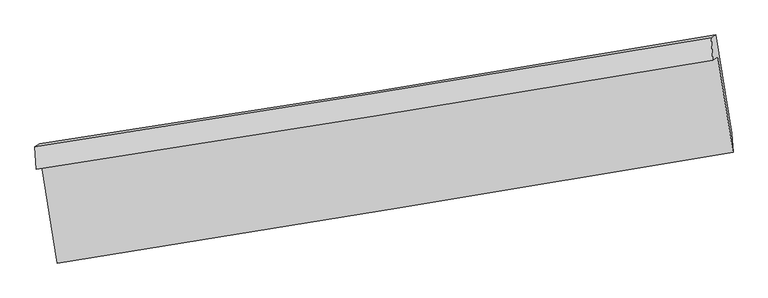
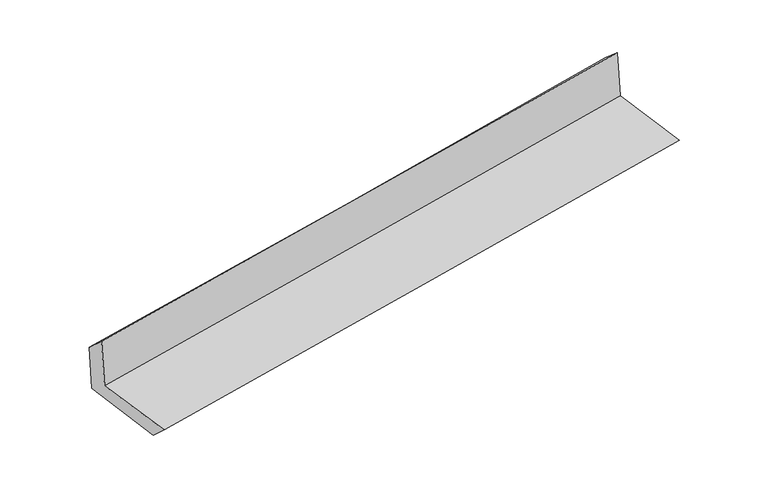
"""IFC4 building model written with IfcOpenShell, lengths in millimetres: proxy geometry."""

from ifc_helpers import new_model, si_unit, frame, origin, place, context, project, spatial, source, transform, mapped, element, save
from ifc_brep_helpers import plane_surface, spline_curve, spline_surface, advanced_brep


def generic_models_57f14585(model_context):
    return source(origin(), model_context, "Body", "AdvancedBrep", [
        advanced_brep(
        [(-2368.645635, -1874.1897644, 1683.3195122), (-2262.8290435, -2543.2720002, 1667.8420047), (2417.1111241, -1776.5299919, 2085.7563138), (2312.1314106, -1116.4524137, 2107.9489735), (-2405.6847807, -1895.8534649, 2096.3245288), (2276.274693, -1138.0528641, 2508.7694515), (-2416.399963, -1737.488835, 1953.5478492), (2265.3250178, -982.5652164, 2373.1790499), (-2382.2749813, -1717.5295901, 1573.0372214), (2296.6430958, -964.2476919, 2023.9668027), (-2272.6924474, -2399.8876752, 1540.2246182), (2407.5580214, -1644.6452935, 1973.4626009)],
        [
            (0, 1),
            (1, 2, spline_curve(3, [(-2262.8290435, -2543.2720002, 1667.8420047), (-1479.157528126, -2420.033574366, 1741.926207547), (-695.697379821, -2294.241469204, 1813.931427335), (864.279171127, -2038.618455047, 1953.20172363), (1640.79907871, -1908.829890702, 2020.501273489), (2417.1111241, -1776.5299919, 2085.7563138)], [4, 2, 4], [0.0, 7.842254067206514, 15.619216713586919])),
            (2, 3),
            (3, 0, spline_curve(3, [(2312.1314106, -1116.4524137, 2107.9489735), (1535.949119944, -1247.529927439, 2039.268055416), (759.425202587, -1375.960616537, 1969.693478934), (-800.828052157, -1628.58436258, 1828.165393625), (-1584.563150223, -1752.732790489, 1756.196816195), (-2368.645635, -1874.1897644, 1683.3195122)], [4, 2, 4], [0.0, 7.776962646380405, 15.619216713586919])),
            (4, 0),
            (3, 5),
            (5, 4, spline_curve(3, [(2276.274693, -1138.0528641, 2508.7694515), (1499.804942005, -1268.984779177, 2442.794493052), (723.038980149, -1397.347591439, 2375.585458969), (-837.609183116, -1649.991110332, 2238.124626513), (-1621.496379343, -1774.228498568, 2167.852019459), (-2405.6847807, -1895.8534649, 2096.3245288)], [4, 2, 4], [0.0, 7.777018113504868, 15.619328113509596])),
            (6, 4),
            (5, 7),
            (7, 6, spline_curve(3, [(2265.3250178, -982.5652164, 2373.1790499), (1489.481569716, -1115.34700555, 2303.715078831), (713.049446679, -1244.40087304, 2234.16038579), (-847.515620888, -1496.104937224, 2094.284848548), (-1631.658491436, -1618.692276033, 2023.962474741), (-2416.399963, -1737.488835, 1953.5478492)], [4, 2, 4], [0.0, 7.777074786260816, 15.619441934817111])),
            (8, 6),
            (7, 9),
            (9, 8, spline_curve(3, [(2296.6430958, -964.2476919, 2023.9668027), (1522.491415922, -1096.039988558, 1935.638771493), (747.140669968, -1224.461373063, 1854.026182288), (-812.478471218, -1475.612177465, 1703.603089779), (-1596.767084287, -1598.284759243, 1634.905818402), (-2382.2749813, -1717.5295901, 1573.0372214)], [4, 2, 4], [0.0, 7.776931513935691, 15.619154187325327])),
            (10, 8),
            (9, 11),
            (11, 10, spline_curve(3, [(2407.5580214, -1644.6452935, 1973.4626009), (1631.659966294, -1770.873205868, 1894.280018304), (855.322276386, -1896.662778441, 1818.721268404), (-704.753800116, -2148.417630124, 1674.247504234), (-1488.499599818, -2274.375517842, 1605.393593555), (-2272.6924474, -2399.8876752, 1540.2246182)], [4, 2, 4], [0.0, 7.776854539130016, 15.618999591472681])),
            (1, 10),
            (11, 2),
        ],
        [
            spline_surface(3, 3, [[(-2368.645635, -1874.1897644, 1683.3195122), (-1584.563150253, -1752.732790521, 1756.196816321), (-800.828052216, -1628.584362681, 1828.165393585), (759.425202645, -1375.960616436, 1969.693478975), (1535.949119843, -1247.529927377, 2039.268055446), (2312.1314106, -1116.4524137, 2107.9489735)], [(-2333.373437855, -2097.217176331, 1678.160343035), (-1549.427942878, -1975.166385158, 1751.43994673), (-765.784494772, -1850.470064881, 1823.420738187), (794.37652547, -1596.846562655, 1964.196227202), (1570.899106159, -1467.963248532, 2033.012461451), (2347.124648429, -1336.478273127, 2100.551420246)], [(-2298.101240645, -2320.244588269, 1673.001173865), (-1514.29273544, -2197.599979801, 1746.683077135), (-730.740937293, -2072.35576702, 1818.676082748), (829.327848329, -1817.732508812, 1958.698975387), (1605.849092488, -1688.396569604, 2026.756867517), (2382.117886271, -1556.504132473, 2093.153867054)], [(-2262.8290435, -2543.2720002, 1667.8420047), (-1479.157528065, -2420.033574438, 1741.926207544), (-695.697379849, -2294.24146922, 1813.931427351), (864.279171154, -2038.618455031, 1953.201723614), (1640.799078804, -1908.829890759, 2020.501273521), (2417.1111241, -1776.5299919, 2085.7563138)]], [4, 4], [4, 2, 4], [0.0, 2.20666953151306], [0.0, 7.842254067206514, 15.619216713586919]),
            spline_surface(3, 3, [[(-2405.6847807, -1895.8534649, 2096.3245288), (-1621.49637934, -1774.228498444, 2167.852019578), (-837.609183176, -1649.991110431, 2238.124626459), (723.038980209, -1397.34759134, 2375.585459023), (1499.804941883, -1268.984779057, 2442.794493066), (2276.274693, -1138.0528641, 2508.7694515)], [(-2393.338398778, -1888.6322314, 1958.656189924), (-1609.185302956, -1767.06326247, 2030.633618482), (-825.34880617, -1642.855527845, 2101.471548816), (735.16772104, -1390.218599702, 2240.288132323), (1511.853001177, -1261.833161816, 2308.285680544), (2288.226932174, -1130.852713952, 2375.162625518)], [(-2380.992016922, -1881.4109979, 1820.987851076), (-1596.874226637, -1759.898026495, 1893.415217416), (-813.088429222, -1635.719945267, 1964.818471227), (747.296461814, -1383.089608073, 2104.990805675), (1523.901060549, -1254.681544619, 2173.776867968), (2300.179171426, -1123.652563848, 2241.555799482)], [(-2368.645635, -1874.1897644, 1683.3195122), (-1584.563150253, -1752.732790521, 1756.196816321), (-800.828052216, -1628.584362681, 1828.165393585), (759.425202645, -1375.960616436, 1969.693478975), (1535.949119843, -1247.529927377, 2039.268055446), (2312.1314106, -1116.4524137, 2107.9489735)]], [4, 4], [4, 2, 4], [0.0, 1.3455982865923362], [0.0, 7.842310000004728, 15.619328113509596]),
            spline_surface(3, 3, [[(-2416.399963, -1737.488835, 1953.5478492), (-1631.65849145, -1618.692276116, 2023.9624747), (-847.515620939, -1496.104937342, 2094.28484858), (713.049446729, -1244.400872922, 2234.160385758), (1489.48156983, -1115.347005484, 2303.715078813), (2265.3250178, -982.5652164, 2373.1790499)], [(-2412.82823559, -1790.277044952, 2001.140075733), (-1628.27112077, -1670.537683544, 2071.925656326), (-844.213475035, -1547.40032836, 2142.231441206), (716.379291206, -1295.383112383, 2281.302076846), (1492.922693861, -1166.559596668, 2350.07488357), (2268.974909547, -1034.394432294, 2418.375850439)], [(-2409.25650811, -1843.065254948, 2048.732302267), (-1624.88375002, -1722.383091016, 2119.888837952), (-840.911329081, -1598.695719414, 2190.178033833), (719.709135732, -1346.365351879, 2328.443767935), (1496.363817852, -1217.772187872, 2396.434688309), (2272.624801253, -1086.223648206, 2463.572650961)], [(-2405.6847807, -1895.8534649, 2096.3245288), (-1621.49637934, -1774.228498444, 2167.852019578), (-837.609183176, -1649.991110431, 2238.124626459), (723.038980209, -1397.34759134, 2375.585459023), (1499.804941883, -1268.984779057, 2442.794493066), (2276.274693, -1138.0528641, 2508.7694515)]], [4, 4], [4, 2, 4], [0.0, 0.6880669580638602], [0.0, 7.842367148556295, 15.619441934817111]),
            spline_surface(3, 3, [[(-2382.2749813, -1717.5295901, 1573.0372214), (-1596.767084208, -1598.284759177, 1634.905818448), (-812.478471143, -1475.612177562, 1703.603089706), (747.140669893, -1224.461372967, 1854.026182361), (1522.491415833, -1096.039988527, 1935.638771495), (2296.6430958, -964.2476919, 2023.9668027)], [(-2393.649975181, -1724.182671739, 1699.874097354), (-1608.39755327, -1605.087264829, 1764.591370553), (-824.157521062, -1482.443097508, 1833.830342689), (735.776928852, -1231.10787297, 1980.737583519), (1511.488133832, -1102.475660864, 2058.330873916), (2286.203736466, -970.353533418, 2140.370885082)], [(-2405.024969119, -1730.835753361, 1826.710973246), (-1620.028022388, -1611.889770464, 1894.276922596), (-835.83657102, -1489.274017397, 1964.057595596), (724.413187771, -1237.754372919, 2107.4489846), (1500.484851831, -1108.911333147, 2181.022976392), (2275.764377134, -976.459374882, 2256.774967518)], [(-2416.399963, -1737.488835, 1953.5478492), (-1631.65849145, -1618.692276116, 2023.9624747), (-847.515620939, -1496.104937342, 2094.28484858), (713.049446729, -1244.400872922, 2234.160385758), (1489.48156983, -1115.347005484, 2303.715078813), (2265.3250178, -982.5652164, 2373.1790499)]], [4, 4], [4, 2, 4], [0.0, 1.2714122876150273], [0.0, 7.842222673389636, 15.619154187325327]),
            spline_surface(3, 3, [[(-2272.6924474, -2399.8876752, 1540.2246182), (-1488.499599916, -2274.375517925, 1605.393593474), (-704.753800217, -2148.417630103, 1674.247504303), (855.322276486, -1896.662778463, 1818.721268336), (1631.659966403, -1770.873205771, 1894.280018401), (2407.5580214, -1644.6452935, 1973.4626009)], [(-2309.219958716, -2172.434980153, 1551.16215259), (-1524.588761362, -2049.011931662, 1615.231001789), (-740.662023875, -1924.149145905, 1684.032699413), (819.261740939, -1672.59564328, 1830.489572987), (1595.270449553, -1545.928800029, 1908.066269441), (2370.586379539, -1417.846092973, 1990.297334842)], [(-2345.747469984, -1944.982285147, 1562.09968701), (-1560.677922762, -1823.64834544, 1625.068410134), (-776.570247485, -1699.88066176, 1693.817894595), (783.20120544, -1448.528508149, 1842.25787771), (1558.880932684, -1320.984394268, 1921.852520455), (2333.614737661, -1191.046892427, 2007.132068758)], [(-2382.2749813, -1717.5295901, 1573.0372214), (-1596.767084208, -1598.284759177, 1634.905818448), (-812.478471143, -1475.612177562, 1703.603089706), (747.140669893, -1224.461372967, 1854.026182361), (1522.491415833, -1096.039988527, 1935.638771495), (2296.6430958, -964.2476919, 2023.9668027)]], [4, 4], [4, 2, 4], [0.0, 2.2371421316717], [0.0, 7.842145052342665, 15.618999591472681]),
            spline_surface(3, 3, [[(-2262.8290435, -2543.2720002, 1667.8420047), (-1479.157528065, -2420.033574438, 1741.926207544), (-695.697379849, -2294.24146922, 1813.931427351), (864.279171154, -2038.618455031, 1953.201723614), (1640.799078804, -1908.829890759, 2020.501273521), (2417.1111241, -1776.5299919, 2085.7563138)], [(-2266.116844781, -2495.477225225, 1625.302875864), (-1482.271551996, -2371.480888958, 1696.415336185), (-698.716186626, -2245.633522841, 1767.370119671), (861.29353961, -1991.299896168, 1908.374905191), (1637.752708015, -1862.844329065, 1978.427521821), (2413.926756545, -1732.568425736, 2048.325076173)], [(-2269.404646119, -2447.682450175, 1582.763747036), (-1485.385575985, -2322.928203404, 1650.904464833), (-701.734993439, -2197.025576482, 1720.808811983), (858.307908031, -1943.981337326, 1863.548086759), (1634.706337192, -1816.858767464, 1936.353770101), (2410.742388955, -1688.606859664, 2010.893838527)], [(-2272.6924474, -2399.8876752, 1540.2246182), (-1488.499599916, -2274.375517925, 1605.393593474), (-704.753800217, -2148.417630103, 1674.247504303), (855.322276486, -1896.662778463, 1818.721268336), (1631.659966403, -1770.873205771, 1894.280018401), (2407.5580214, -1644.6452935, 1973.4626009)]], [4, 4], [4, 2, 4], [0.0, 0.6527751887639349], [0.0, 7.842084929577015, 15.618879846499098]),
            plane_surface(frame((2329.1738938, -1270.4155786, 2178.8471987), z_axis=(0.9835007427061078, 0.15318178735859275, 0.09623735822517976), x_axis=(-0.08920192924329795, -0.05217301422895758, 0.9946461644250878))),
            plane_surface(frame((-2351.4211418, -2028.0368883, 1752.3826224), z_axis=(-0.983479834297396, -0.15331283140266147, -0.09624235687921376), x_axis=(-0.15616958617293716, 0.9874660907361921, 0.02284250425755049))),
        ],
        [
            (0, [[1, 2, 3, 4]]),
            (1, [[5, -4, 6, 7]]),
            (2, [[8, -7, 9, 10]]),
            (3, [[11, -10, 12, 13]]),
            (4, [[14, -13, 15, 16]]),
            (5, [[17, -16, 18, -2]]),
            (6, [[-12, -9, -6, -3, -18, -15]]),
            (7, [[-1, -5, -8, -11, -14, -17]]),
        ],
    ),
    ])


if __name__ == "__main__":
    model = new_model("IFC4")
    model_context = context("Model", 3, world=origin())
    ifc_project = project(units=[si_unit("LENGTHUNIT", "METRE", prefix="MILLI")], contexts=[model_context])
    site = spatial("IfcSite", under=ifc_project)
    building = spatial("IfcBuilding", under=site)
    placement = place(None, origin())
    generic_models_shape = generic_models_57f14585(model_context)
    element("IfcBuildingElementProxy", 1, Name="Generic Models", at=placement, inside=building, context=model_context, shape_type="MappedRepresentation", body=[
        mapped(generic_models_shape, transform((0.0, 0.0, 0.0), x_axis=(1.0, 0.0, 0.0), y_axis=(0.0, 1.0, 0.0), z_axis=(0.0, 0.0, 1.0))),
    ])
    save(model, "model.ifc")
